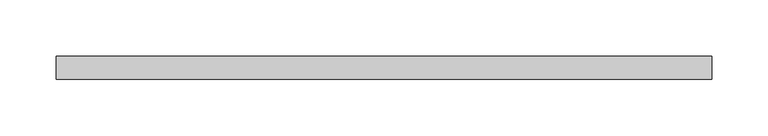
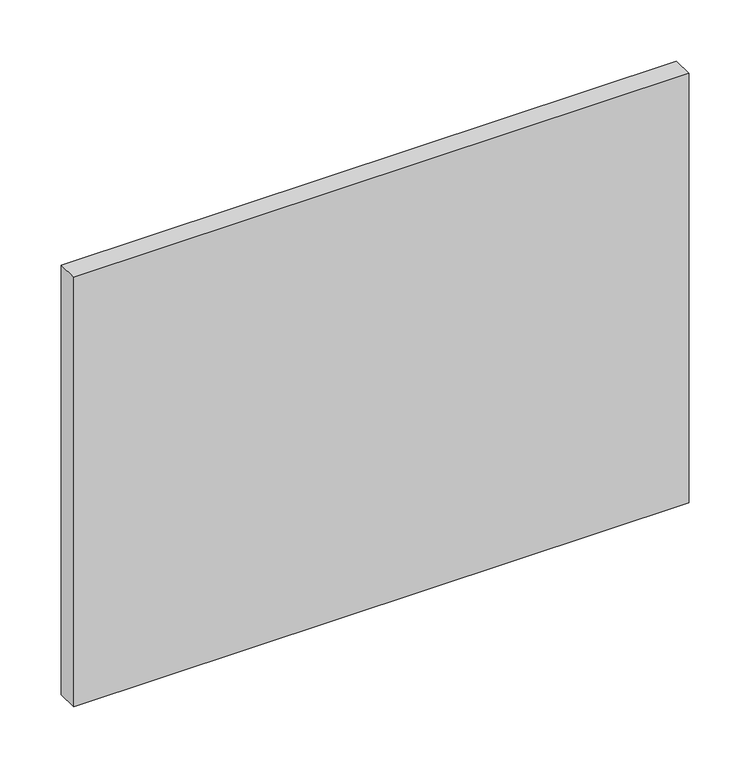
"""IFC4 building model written with IfcOpenShell, lengths in millimetres: plate geometry."""

from ifc_helpers import new_model, si_unit, origin, origin_with_axes, place, context, project, spatial, polyline, outline, extrude, source, transform, mapped, element, save


def plate_98b3cd55(model_context):
    return source(origin(), model_context, "Body", "SweptSolid", [
        extrude(outline(polyline([(290.0, 70.0), (-290.0, 70.0), (-290.0, 90.0), (290.0, 90.0), (290.0, 70.0)])), origin_with_axes(), (0.0, 0.0, 1.0), 427.7324119),
    ])


if __name__ == "__main__":
    model = new_model("IFC4")
    model_context = context("Model", 3, world=origin())
    ifc_project = project(units=[si_unit("LENGTHUNIT", "METRE", prefix="MILLI")], contexts=[model_context])
    site = spatial("IfcSite", under=ifc_project)
    building = spatial("IfcBuilding", under=site)
    placement = place(None, origin())
    plate_shape = plate_98b3cd55(model_context)
    element("IfcPlate", 1, at=placement, inside=building, context=model_context, shape_type="MappedRepresentation", body=[
        mapped(plate_shape, transform((0.0, 0.0, 0.0), x_axis=(1.0, 0.0, 0.0), y_axis=(0.0, 1.0, 0.0), z_axis=(0.0, 0.0, 1.0))),
    ])
    save(model, "model.ifc")
